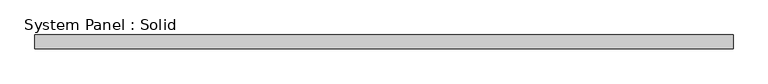
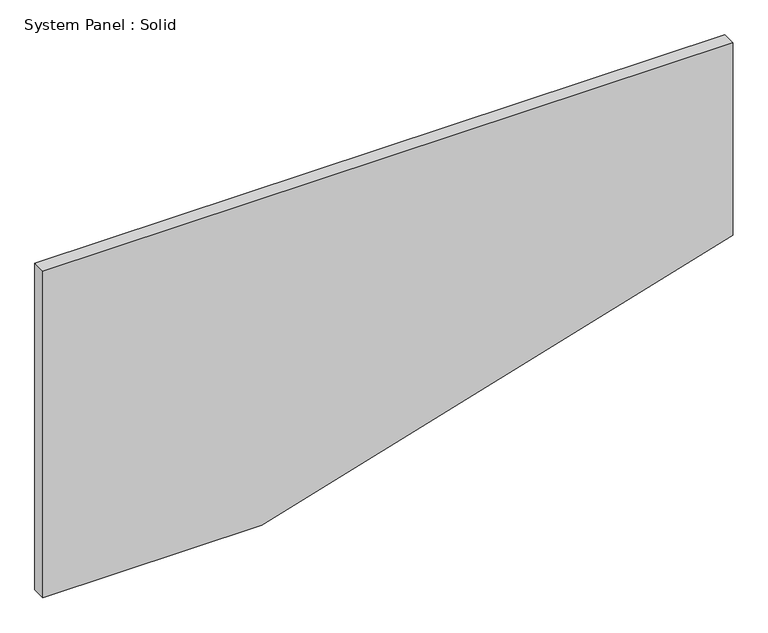
"""IFC4 building model written with IfcOpenShell, lengths in millimetres: plate geometry, System Panel : Solid."""

from ifc_helpers import new_model, si_unit, frame, origin, place, context, project, spatial, polyline, outline, extrude, source, transform, mapped, element, save


def system_panel_solid_d8b895c0(model_context):
    return source(origin(), model_context, "Body", "SweptSolid", [
        extrude(outline(polyline([(0.0, -1500.0), (0.0, -548.5472361), (615.7599085, 1500.0), (1500.0, 1500.0), (1500.0, -1500.0), (0.0, -1500.0)])), frame((0.0, -10.5, 0.0), z_axis=(0.0, 1.0, 0.0), x_axis=(0.0, 0.0, 1.0)), (0.0, 0.0, 1.0), 60.0),
    ])


if __name__ == "__main__":
    model = new_model("IFC4")
    model_context = context("Model", 3, world=origin())
    ifc_project = project(units=[si_unit("LENGTHUNIT", "METRE", prefix="MILLI")], contexts=[model_context])
    site = spatial("IfcSite", under=ifc_project)
    building = spatial("IfcBuilding", under=site)
    placement = place(None, origin())
    system_panel_solid_shape = system_panel_solid_d8b895c0(model_context)
    element("IfcPlate", 1, ObjectType="System Panel : Solid", at=placement, inside=building, context=model_context, shape_type="MappedRepresentation", body=[
        mapped(system_panel_solid_shape, transform((0.0, 0.0, 0.0), x_axis=(1.0, 0.0, 0.0), y_axis=(0.0, 1.0, 0.0), z_axis=(0.0, 0.0, 1.0))),
    ])
    save(model, "model.ifc")
